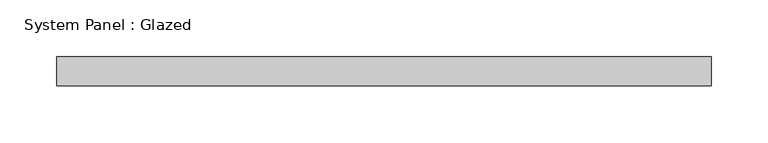
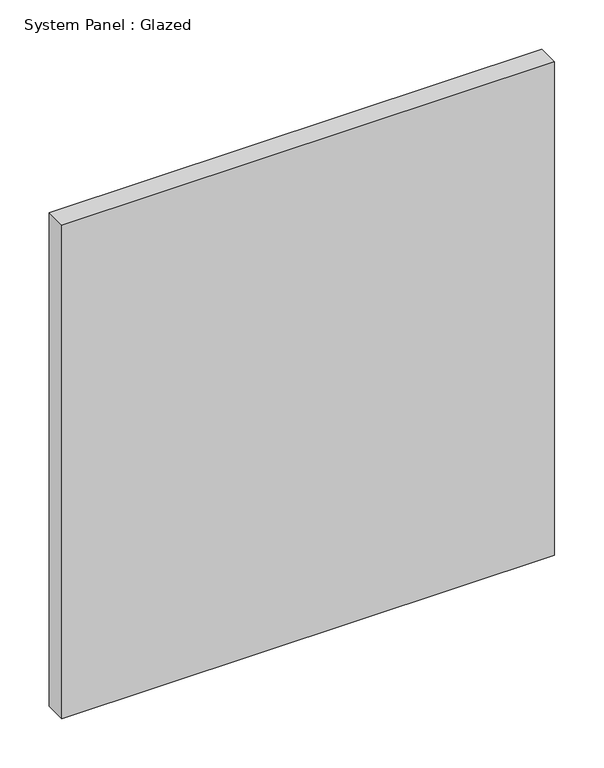
"""IFC4 building model written with IfcOpenShell, lengths in millimetres: plate geometry, System Panel : Glazed."""

from ifc_helpers import new_model, si_unit, origin, origin_with_axes, place, context, project, spatial, polyline, outline, extrude, source, transform, mapped, element, save


def system_panel_glazed_1a2098b4(model_context):
    return source(origin(), model_context, "Body", "SweptSolid", [
        extrude(outline(polyline([(287.8558303, 19.05), (-287.8558303, 19.05), (-287.8558303, 44.45), (287.8558303, 44.45), (287.8558303, 19.05)])), origin_with_axes(), (0.0, 0.0, 1.0), 609.6),
    ])


if __name__ == "__main__":
    model = new_model("IFC4")
    model_context = context("Model", 3, world=origin())
    ifc_project = project(units=[si_unit("LENGTHUNIT", "METRE", prefix="MILLI")], contexts=[model_context])
    site = spatial("IfcSite", under=ifc_project)
    building = spatial("IfcBuilding", under=site)
    placement = place(None, origin())
    system_panel_glazed_shape = system_panel_glazed_1a2098b4(model_context)
    element("IfcPlate", 1, ObjectType="System Panel : Glazed", at=placement, inside=building, context=model_context, shape_type="MappedRepresentation", body=[
        mapped(system_panel_glazed_shape, transform((0.0, 0.0, 0.0), x_axis=(1.0, 0.0, 0.0), y_axis=(0.0, 1.0, 0.0), z_axis=(0.0, 0.0, 1.0))),
    ])
    save(model, "model.ifc")
